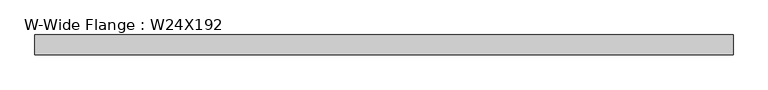
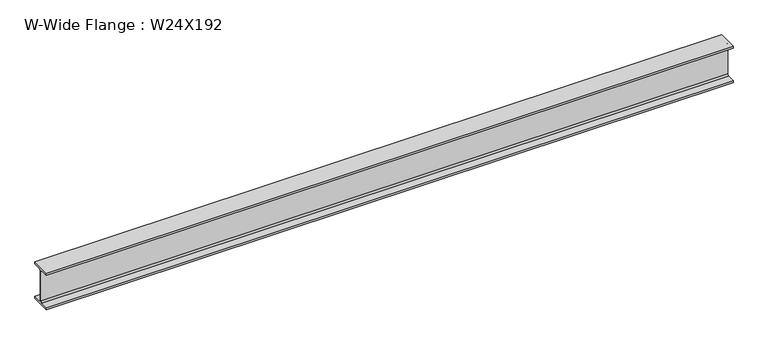
"""IFC4 building model written with IfcOpenShell, lengths in millimetres: beam geometry, W-Wide Flange : W24X192."""

from ifc_helpers import new_model, si_unit, point, frame, frame_2d, origin, place, context, project, spatial, polyline, circle_curve, trimmed, segment, composite_curve, outline, extrude, source, transform, mapped, element, save


def w_wide_flange_w24x192_a47f4bd8(model_context):
    return source(origin(), model_context, "Body", "SweptSolid", [
        extrude(outline(composite_curve([segment(polyline([(165.1, -286.766), (165.1, -323.85), (-165.1, -323.85), (-165.1, -286.766), (-33.528, -286.766)]), True, "CONTINUOUS"), segment(trimmed(circle_curve(frame_2d((-33.528, -263.525)), 23.241), [point((-33.528, -286.766))], [point((-10.287, -263.525))], True, "CARTESIAN"), True, "CONTINUOUS"), segment(polyline([(-10.287, -263.525), (-10.287, 263.525)]), True, "CONTINUOUS"), segment(trimmed(circle_curve(frame_2d((-33.528, 263.525)), 23.241), [point((-10.287, 263.525))], [point((-33.528, 286.766))], True, "CARTESIAN"), True, "CONTINUOUS"), segment(polyline([(-33.528, 286.766), (-165.1, 286.766), (-165.1, 323.85), (165.1, 323.85), (165.1, 286.766), (33.528, 286.766)]), True, "CONTINUOUS"), segment(trimmed(circle_curve(frame_2d((33.528, 263.525)), 23.241), [point((33.528, 286.766))], [point((10.287, 263.525))], True, "CARTESIAN"), True, "CONTINUOUS"), segment(polyline([(10.287, 263.525), (10.287, -263.525)]), True, "CONTINUOUS"), segment(trimmed(circle_curve(frame_2d((33.528, -263.525)), 23.241), [point((10.287, -263.525))], [point((33.528, -286.766))], True, "CARTESIAN"), True, "CONTINUOUS"), segment(polyline([(33.528, -286.766), (165.1, -286.766)]), True, "CONTINUOUS")], self_intersect=False)), frame((-5796.5976494, 0.0, 0.0), z_axis=(1.0, 0.0, 0.0), x_axis=(0.0, 1.0, 0.0)), (0.0, 0.0, 1.0), 11529.1225611),
    ])


if __name__ == "__main__":
    model = new_model("IFC4")
    model_context = context("Model", 3, world=origin())
    ifc_project = project(units=[si_unit("LENGTHUNIT", "METRE", prefix="MILLI")], contexts=[model_context])
    site = spatial("IfcSite", under=ifc_project)
    building = spatial("IfcBuilding", under=site)
    placement = place(None, origin())
    w_wide_flange_w24x192_shape = w_wide_flange_w24x192_a47f4bd8(model_context)
    element("IfcBeam", 1, ObjectType="W-Wide Flange : W24X192", at=placement, inside=building, context=model_context, shape_type="MappedRepresentation", body=[
        mapped(w_wide_flange_w24x192_shape, transform((0.0, 0.0, 0.0), x_axis=(1.0, 0.0, 0.0), y_axis=(0.0, 1.0, 0.0), z_axis=(0.0, 0.0, 1.0))),
    ])
    save(model, "model.ifc")
